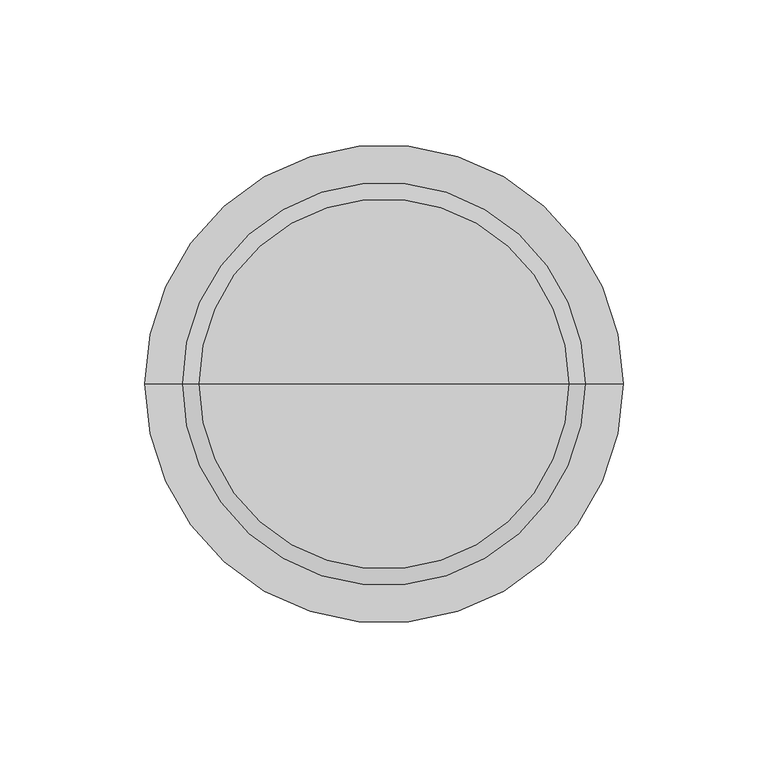
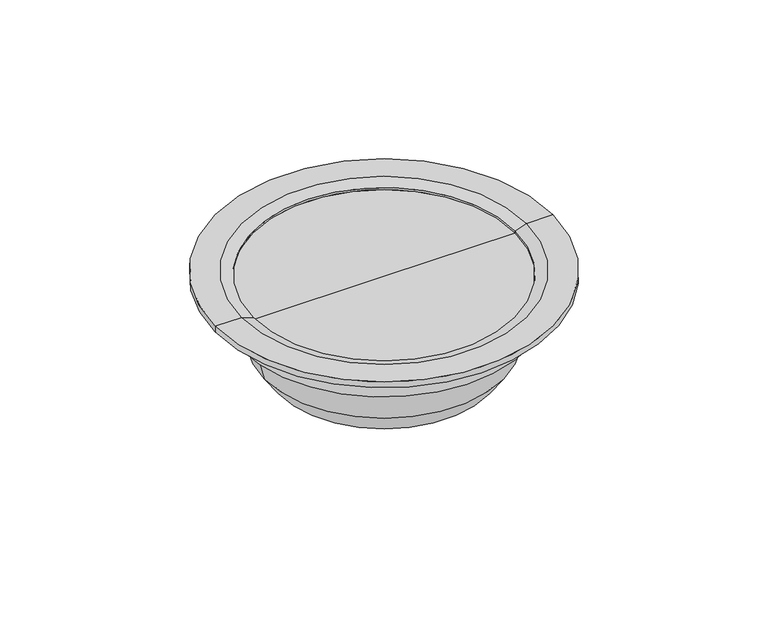
"""IFC4 building model written with IfcOpenShell, lengths in millimetres: light fixture geometry."""

from ifc_helpers import new_model, si_unit, frame, origin, place, context, project, spatial, polyline, circle_curve, source, transform, mapped, element, save
from ifc_brep_helpers import plane_surface, cylinder_surface, revolved_surface, advanced_brep


def light_fixture_2939797d(model_context):
    return source(origin(), model_context, "Body", "AdvancedBrep", [
        advanced_brep(
        [(0.0, 0.0, -42.9998325), (-51.5547519, 0.0, -42.9998325), (51.5547519, 0.0, -42.9998325), (64.0, 0.0, 0.0), (-64.0, 0.0, 0.0), (0.0, 0.0, 0.0), (64.0, 0.0, 1.0), (-64.0, 0.0, 1.0), (69.4998522, 0.0, 3.0), (-69.4998522, 0.0, 3.0), (82.4998635, 0.0, 3.0), (-82.4998635, 0.0, 3.0), (82.4998635, 0.0, 0.0), (-82.4998635, 0.0, 0.0), (70.0, 0.0, 0.0), (-70.0, 0.0, 0.0), (70.0, 0.0, -13.5), (-70.0, 0.0, -13.5), (63.5399278, 0.0, -13.5), (-63.5399278, 0.0, -13.5), (58.5455071, 0.0, -32.5998325), (-58.5455071, 0.0, -32.5998325)],
        [
            (0, 1),
            (1, 2, circle_curve(frame((0.0, 0.0, -42.9998325), z_axis=(0.0, 0.0, -1.0), x_axis=(-1.0, 0.0, 0.0)), 51.5547519)),
            (2, 0),
            (2, 1, circle_curve(frame((0.0, 0.0, -42.9998325), z_axis=(0.0, 0.0, -1.0), x_axis=(-1.0, 0.0, 0.0)), 51.5547519)),
            (3, 4, circle_curve(frame((0.0, 0.0, 0.0), z_axis=(0.0, 0.0, 1.0), x_axis=(-1.0, 0.0, 0.0)), 64.0)),
            (4, 5),
            (5, 3),
            (4, 3, circle_curve(frame((0.0, 0.0, 0.0), z_axis=(0.0, 0.0, 1.0), x_axis=(-1.0, 0.0, 0.0)), 64.0)),
            (6, 7, circle_curve(frame((0.0, 0.0, 1.0), z_axis=(0.0, 0.0, 1.0), x_axis=(-1.0, 0.0, 0.0)), 64.0)),
            (7, 4),
            (3, 6),
            (7, 6, circle_curve(frame((0.0, 0.0, 1.0), z_axis=(0.0, 0.0, 1.0), x_axis=(-1.0, 0.0, 0.0)), 64.0)),
            (8, 9, circle_curve(frame((0.0, 0.0, 3.0), z_axis=(0.0, 0.0, 1.0), x_axis=(-1.0, 0.0, 0.0)), 69.4998522)),
            (9, 7),
            (6, 8),
            (9, 8, circle_curve(frame((0.0, 0.0, 3.0), z_axis=(0.0, 0.0, 1.0), x_axis=(-1.0, 0.0, 0.0)), 69.4998522)),
            (10, 11, circle_curve(frame((0.0, 0.0, 3.0), z_axis=(0.0, 0.0, 1.0), x_axis=(-1.0, 0.0, 0.0)), 82.4998635)),
            (11, 9),
            (8, 10),
            (11, 10, circle_curve(frame((0.0, 0.0, 3.0), z_axis=(0.0, 0.0, 1.0), x_axis=(-1.0, 0.0, 0.0)), 82.4998635)),
            (12, 13, circle_curve(frame((0.0, 0.0, 0.0), z_axis=(0.0, 0.0, 1.0), x_axis=(-1.0, 0.0, 0.0)), 82.4998635)),
            (13, 11),
            (10, 12),
            (13, 12, circle_curve(frame((0.0, 0.0, 0.0), z_axis=(0.0, 0.0, 1.0), x_axis=(-1.0, 0.0, 0.0)), 82.4998635)),
            (14, 15, circle_curve(frame((0.0, 0.0, 0.0), z_axis=(0.0, 0.0, 1.0), x_axis=(-1.0, 0.0, 0.0)), 70.0)),
            (15, 13),
            (12, 14),
            (15, 14, circle_curve(frame((0.0, 0.0, 0.0), z_axis=(0.0, 0.0, 1.0), x_axis=(-1.0, 0.0, 0.0)), 70.0)),
            (16, 17, circle_curve(frame((0.0, 0.0, -13.5), z_axis=(0.0, 0.0, 1.0), x_axis=(-1.0, 0.0, 0.0)), 70.0)),
            (17, 15),
            (14, 16),
            (17, 16, circle_curve(frame((0.0, 0.0, -13.5), z_axis=(0.0, 0.0, 1.0), x_axis=(-1.0, 0.0, 0.0)), 70.0)),
            (18, 19, circle_curve(frame((0.0, 0.0, -13.5), z_axis=(0.0, 0.0, 1.0), x_axis=(-1.0, 0.0, 0.0)), 63.5399278)),
            (19, 17),
            (16, 18),
            (19, 18, circle_curve(frame((0.0, 0.0, -13.5), z_axis=(0.0, 0.0, 1.0), x_axis=(-1.0, 0.0, 0.0)), 63.5399278)),
            (20, 21, circle_curve(frame((0.0, 0.0, -32.5998325), z_axis=(0.0, 0.0, 1.0), x_axis=(-1.0, 0.0, 0.0)), 58.5455071)),
            (21, 19),
            (18, 20),
            (21, 20, circle_curve(frame((0.0, 0.0, -32.5998325), z_axis=(0.0, 0.0, 1.0), x_axis=(-1.0, 0.0, 0.0)), 58.5455071)),
            (1, 21),
            (20, 2),
        ],
        [
            plane_surface(frame((0.0, 0.0, -42.9998325), z_axis=(0.0, 0.0, -1.0), x_axis=(-1.0, 0.0, 0.0))),
            plane_surface(frame((0.0, 0.0, 0.0), z_axis=(0.0, 0.0, 1.0), x_axis=(-1.0, 0.0, 0.0))),
            revolved_surface(polyline([(-64.0, 0.0, 0.0), (-64.0, 0.0, 1.0)]), (0.0, 0.0, 0.0), (0.0, 0.0, -1.0)),
            revolved_surface(polyline([(-64.0, 0.0, 1.0), (-69.4998522, 0.0, 3.0)]), (0.0, 0.0, 0.0), (0.0, 0.0, -1.0)),
            plane_surface(frame((0.0, 0.0, 3.0), z_axis=(0.0, 0.0, 1.0), x_axis=(-1.0, 0.0, 0.0))),
            cylinder_surface(frame((0.0, 0.0, 0.0), z_axis=(0.0, 0.0, -1.0), x_axis=(-1.0, 0.0, 0.0)), 82.4998635),
            plane_surface(frame((0.0, 0.0, 0.0), z_axis=(0.0, 0.0, -1.0), x_axis=(-1.0, 0.0, 0.0))),
            cylinder_surface(frame((0.0, 0.0, 0.0), z_axis=(0.0, 0.0, -1.0), x_axis=(-1.0, 0.0, 0.0)), 70.0),
            plane_surface(frame((0.0, 0.0, -13.5), z_axis=(0.0, 0.0, -1.0), x_axis=(-1.0, 0.0, 0.0))),
            revolved_surface(polyline([(-63.5399278, 0.0, -13.5), (-58.5455071, 0.0, -32.5998325)]), (0.0, 0.0, 0.0), (0.0, 0.0, -1.0)),
            revolved_surface(polyline([(-58.5455071, 0.0, -32.5998325), (-51.5547519, 0.0, -42.9998325)]), (0.0, 0.0, 0.0), (0.0, 0.0, -1.0)),
        ],
        [
            (0, [[1, 2, 3]]),
            (0, [[-3, 4, -1]]),
            (1, [[5, 6, 7]]),
            (1, [[8, -7, -6]]),
            (2, [[9, 10, -5, 11]]),
            (2, [[12, -11, -8, -10]]),
            (3, [[13, 14, -9, 15]]),
            (3, [[16, -15, -12, -14]]),
            (4, [[17, 18, -13, 19]]),
            (4, [[20, -19, -16, -18]]),
            (5, [[21, 22, -17, 23]]),
            (5, [[24, -23, -20, -22]]),
            (6, [[25, 26, -21, 27]]),
            (6, [[28, -27, -24, -26]]),
            (7, [[29, 30, -25, 31]]),
            (7, [[32, -31, -28, -30]]),
            (8, [[33, 34, -29, 35]]),
            (8, [[36, -35, -32, -34]]),
            (9, [[37, 38, -33, 39]]),
            (9, [[40, -39, -36, -38]]),
            (10, [[-2, 41, -37, 42]]),
            (10, [[-4, -42, -40, -41]]),
        ],
    ),
    ])


if __name__ == "__main__":
    model = new_model("IFC4")
    model_context = context("Model", 3, world=origin())
    ifc_project = project(units=[si_unit("LENGTHUNIT", "METRE", prefix="MILLI")], contexts=[model_context])
    site = spatial("IfcSite", under=ifc_project)
    building = spatial("IfcBuilding", under=site)
    placement = place(None, origin())
    light_fixture_shape = light_fixture_2939797d(model_context)
    element("IfcLightFixture", 1, at=placement, inside=building, context=model_context, shape_type="MappedRepresentation", body=[
        mapped(light_fixture_shape, transform((0.0, 0.0, 0.0), x_axis=(1.0, 0.0, 0.0), y_axis=(0.0, 1.0, 0.0), z_axis=(0.0, 0.0, 1.0))),
    ])
    save(model, "model.ifc")
